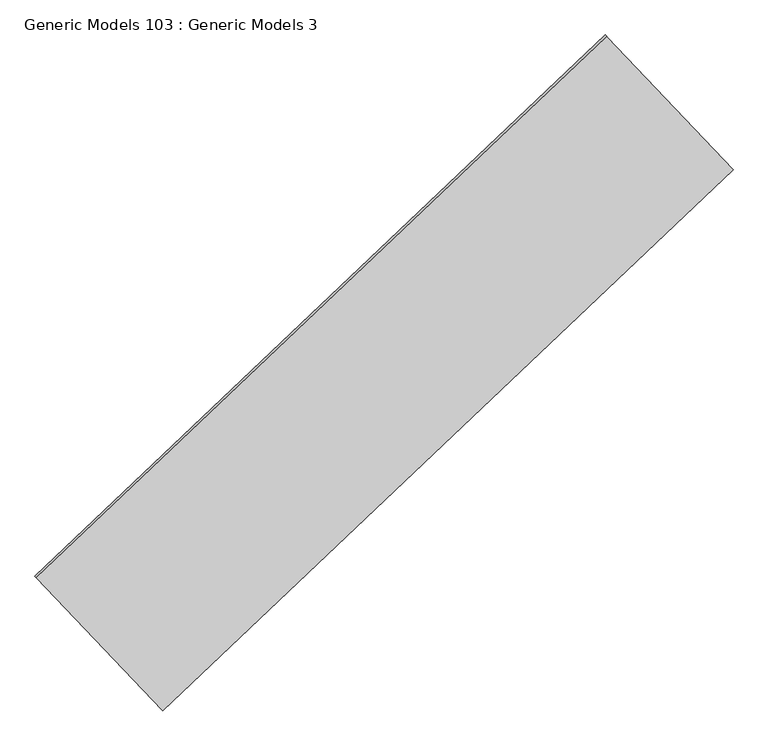
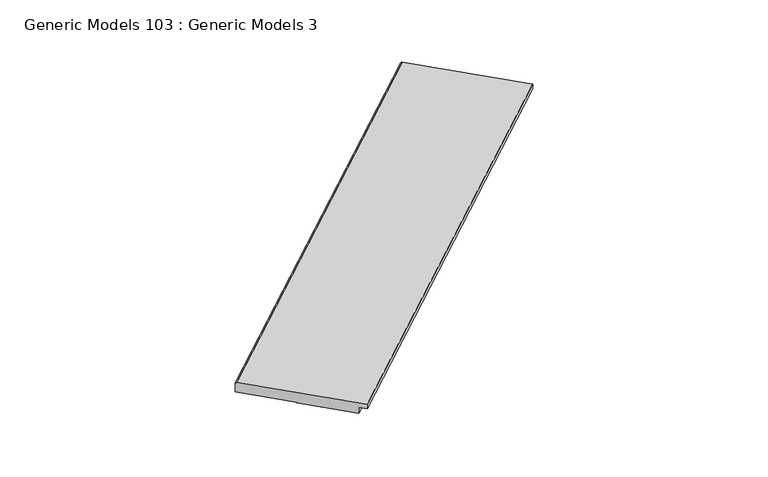
"""IFC4 building model written with IfcOpenShell, lengths in millimetres: proxy geometry, Generic Models 103 : Generic Models 3."""

import ifcopenshell
import ifcopenshell.guid

model = None  # the IFC model being written
_history = None  # IfcOwnerHistory: only IFC2X3 demands one
_inside = {}  # id of a spatial element -> (the spatial element, [elements in it])
_under = {}  # id of a project, library or spatial element -> (it, [spatial elements below it])
_declared = {}  # id of a project -> (the project, [libraries it declares])
_typed = {}  # id of a type object -> (the type object, [elements of that type])
_made_of = {}  # id of a material, layer set ... -> (it, [elements and type objects made of it])


def new_model(schema):
    """Start an empty IFC model of exactly this schema.

    Asked for "IFC4X3", IfcOpenShell would pick the latest addendum, in which some entities
    have other attributes; the version numbers below select the first issue.
    IFC2X3 requires an IfcOwnerHistory on every rooted entity: one is made here for all.
    """
    global model, _history
    if schema == "IFC4X3":
        model = ifcopenshell.file(schema_version=(4, 3, 0, 0))
    else:
        model = ifcopenshell.file(schema=schema)
    _inside.clear()
    _under.clear()
    _declared.clear()
    _typed.clear()
    _made_of.clear()
    _history = None
    if model.schema == "IFC2X3":
        org = make("IfcOrganization", Name="unknown")
        user = make(
            "IfcPersonAndOrganization",
            ThePerson=make("IfcPerson", FamilyName="unknown"),
            TheOrganization=org,
        )
        app = make(
            "IfcApplication",
            ApplicationDeveloper=org,
            Version="unknown",
            ApplicationFullName="unknown",
            ApplicationIdentifier="unknown",
        )
        _history = make(
            "IfcOwnerHistory",
            OwningUser=user,
            OwningApplication=app,
            ChangeAction="ADDED",
            CreationDate=0,
        )
    return model


def make(cls, **values):
    """One entity of the class cls with the attributes given. An attribute that is None is left unset."""
    return model.create_entity(
        cls, **{name: value for name, value in values.items() if value is not None}
    )


def rooted(cls, **values):
    """An entity with a GlobalId (a new one), such as an element, a storey or a relation."""
    return make(cls, GlobalId=ifcopenshell.guid.new(), OwnerHistory=_history, **values)


def si_unit(unit_type, name, prefix=None):
    """IfcSIUnit, for example si_unit("LENGTHUNIT", "METRE", prefix="MILLI")."""
    return make("IfcSIUnit", UnitType=unit_type, Prefix=prefix, Name=name)


def assignment(units):
    """IfcUnitAssignment: the units of a project."""
    return None if units is None else make("IfcUnitAssignment", Units=units)


def point(xyz):
    """IfcCartesianPoint."""
    return None if xyz is None else make("IfcCartesianPoint", Coordinates=xyz)


def direction(xyz):
    """IfcDirection."""
    return None if xyz is None else make("IfcDirection", DirectionRatios=xyz)


def frame(location, z_axis=None, x_axis=None):
    """IfcAxis2Placement3D, a coordinate frame: its origin and axes. An axis left out is left unset."""
    return make(
        "IfcAxis2Placement3D",
        Location=point(location),
        Axis=direction(z_axis),
        RefDirection=direction(x_axis),
    )


def origin():
    """The frame at (0, 0, 0) with its axes left unset."""
    return frame((0.0, 0.0, 0.0))


def place(relative_to, where):
    """IfcLocalPlacement: puts the frame where relative to a parent placement (None: the world)."""
    return make(
        "IfcLocalPlacement", PlacementRelTo=relative_to, RelativePlacement=where
    )


def context(
    kind, dimensions, precision=None, world=None, true_north=None, identifier=None
):
    """IfcGeometricRepresentationContext, for example the 3D "Model" context."""
    return make(
        "IfcGeometricRepresentationContext",
        ContextIdentifier=identifier,
        ContextType=kind,
        CoordinateSpaceDimension=dimensions,
        Precision=precision,
        WorldCoordinateSystem=world,
        TrueNorth=true_north,
    )


def project(units=None, contexts=None):
    """IfcProject with its units and contexts."""
    return rooted(
        "IfcProject",
        Name="project",
        RepresentationContexts=contexts,
        UnitsInContext=assignment(units),
    )


def spatial(cls, under=None, at=None, **own):
    """A site, building, storey or space (cls), placed at a placement, below another one or the project."""
    s = rooted(cls, ObjectPlacement=at, **own)
    if under is not None:
        _under.setdefault(under.id(), (under, []))[1].append(s)
    return s


def circle_curve(where, radius):
    """IfcCircle in the frame where."""
    return make("IfcCircle", Position=where, Radius=radius)


def shape(context_of_items, identifier, shape_type, items):
    """IfcShapeRepresentation: the items that make up one representation, for example the "Body"."""
    return make(
        "IfcShapeRepresentation",
        ContextOfItems=context_of_items,
        RepresentationIdentifier=identifier,
        RepresentationType=shape_type,
        Items=items,
    )


def source(mapping_origin, context_of_items, identifier, shape_type, items):
    """IfcRepresentationMap: a shape defined once, which mapped items show again and again."""
    return make(
        "IfcRepresentationMap",
        MappingOrigin=mapping_origin,
        MappedRepresentation=shape(context_of_items, identifier, shape_type, items),
    )


def transform(
    local_origin,
    x_axis=None,
    y_axis=None,
    z_axis=None,
    scale=None,
    scale2=None,
    scale3=None,
    uniform=True,
):
    """IfcCartesianTransformationOperator3D, or its non-uniform kind. x_axis, y_axis, z_axis: its Axis1, 2, 3."""
    if uniform:
        return make(
            "IfcCartesianTransformationOperator3D",
            Axis1=direction(x_axis),
            Axis2=direction(y_axis),
            LocalOrigin=point(local_origin),
            Scale=scale,
            Axis3=direction(z_axis),
        )
    return make(
        "IfcCartesianTransformationOperator3DnonUniform",
        Axis1=direction(x_axis),
        Axis2=direction(y_axis),
        LocalOrigin=point(local_origin),
        Scale=scale,
        Axis3=direction(z_axis),
        Scale2=scale2,
        Scale3=scale3,
    )


def mapped(mapping_source, mapping_target):
    """IfcMappedItem: shows the shape of a source again, moved by a transform."""
    return make(
        "IfcMappedItem", MappingSource=mapping_source, MappingTarget=mapping_target
    )


def made_of(thing, what):
    """Note that an element or type object is made of a material, layer set ...; save() writes the relation."""
    if what is not None:
        _made_of.setdefault(what.id(), (what, []))[1].append(thing)
    return thing


def element(
    cls,
    number,
    at=None,
    inside=None,
    cuts=None,
    type_object=None,
    material=None,
    context=None,
    identifier="Body",
    shape_type=None,
    held_by="IfcProductDefinitionShape",
    body=None,
    shapes=None,
    **own,
):
    """One element of the class cls, such as IfcWall. Its Tag is "e" and its number.

    at: its placement. inside: the storey or other place that contains it. cuts: it is an
    opening in that element (IfcRelVoidsElement). A single representation is given by context,
    identifier, shape_type and body (its items); several are given by shapes. held_by: the class
    of the entity that holds the representations. save() writes the other relations.
    """
    e = rooted(cls, Tag="e%d" % number, ObjectPlacement=at, **own)
    if body is not None:
        shapes = [shape(context, identifier, shape_type, body)]
    if shapes is not None:
        e.Representation = make(held_by, Representations=shapes)
    if inside is not None:
        _inside.setdefault(inside.id(), (inside, []))[1].append(e)
    if cuts is not None:
        rooted(
            "IfcRelVoidsElement", RelatingBuildingElement=cuts, RelatedOpeningElement=e
        )
    if type_object is not None:
        _typed.setdefault(type_object.id(), (type_object, []))[1].append(e)
    return made_of(e, material)


def aggregate(whole, parts):
    """IfcRelAggregates: a whole, such as a stair, and the parts it consists of."""
    return rooted("IfcRelAggregates", RelatingObject=whole, RelatedObjects=parts)


def save(model, path):
    """Write the relations noted so far, then the file.

    IfcRelAggregates (storeys below a building ...), IfcRelContainedInSpatialStructure (elements
    in a storey), IfcRelDefinesByType, IfcRelAssociatesMaterial and IfcRelDeclares: one each for
    every whole, place, type object, material and project.
    """
    for whole, parts in _under.values():
        aggregate(whole, parts)
    for where, things in _inside.values():
        rooted(
            "IfcRelContainedInSpatialStructure",
            RelatedElements=things,
            RelatingStructure=where,
        )
    for kind, things in _typed.values():
        rooted("IfcRelDefinesByType", RelatedObjects=things, RelatingType=kind)
    for what, things in _made_of.values():
        rooted("IfcRelAssociatesMaterial", RelatedObjects=things, RelatingMaterial=what)
    for by, libraries in _declared.values():
        rooted("IfcRelDeclares", RelatingContext=by, RelatedDefinitions=libraries)
    model.write(path)


def plane_surface(at):
    """IfcPlane: the flat surface through the origin of the frame at, square to its z axis."""
    return make("IfcPlane", Position=at)


def cylinder_surface(at, radius):
    """IfcCylindricalSurface: all points at the distance radius from the z axis of the frame at."""
    return make("IfcCylindricalSurface", Position=at, Radius=radius)


def advanced_brep(points, edges, surfaces, faces):
    """IfcAdvancedBrep: a solid bounded by faces that lie on surfaces and meet in shared edges.

    An edge is (start, end): straight between two places in points (the first is 0);
    or (start, end, curve); or (start, end, curve, False) where it runs against its curve.
    A face is (place in surfaces, loops), or (place, loops, False) where it looks against
    its surface's normal. A loop lists edges by number (the first is 1), with a minus sign
    where the edge is run from its end to its start. The first loop is the outer one.
    """
    corners = [point(p) for p in points]
    vertices = [make("IfcVertexPoint", VertexGeometry=c) for c in corners]
    made = []
    for start, end, *more in edges:
        made.append(
            make(
                "IfcEdgeCurve",
                EdgeStart=vertices[start],
                EdgeEnd=vertices[end],
                EdgeGeometry=more[0] if more else make("IfcPolyline", Points=[corners[start], corners[end]]),
                SameSense=more[1] if len(more) > 1 else True,
            )
        )
    hull = []
    for where, loops, *sense in faces:
        bounds = []
        for j, loop in enumerate(loops):
            ring = [make("IfcOrientedEdge", EdgeElement=made[abs(k) - 1], Orientation=k > 0) for k in loop]
            bounds.append(
                make(
                    "IfcFaceOuterBound" if j == 0 else "IfcFaceBound",
                    Bound=make("IfcEdgeLoop", EdgeList=ring),
                    Orientation=True,
                )
            )
        hull.append(make("IfcAdvancedFace", Bounds=bounds, FaceSurface=surfaces[where], SameSense=sense[0] if sense else True))
    return make("IfcAdvancedBrep", Outer=make("IfcClosedShell", CfsFaces=hull))


def generic_models_103_generic_models_3_8ce2fb79(model_context):
    return source(origin(), model_context, "Body", "AdvancedBrep", [
        advanced_brep(
        [(108443.036769, 48895.004142, 18008.6), (109895.3812404, 47364.5524029, 18008.6), (109895.3812404, 47364.5524029, 17924.1394961), (109799.2181062, 47465.8872026, 17924.1394961), (109799.2181062, 47465.8872026, 17886.0394961), (109799.2181062, 47465.8872026, 17847.9394961), (109799.2181062, 47465.8872026, 17809.8394961), (109110.1685126, 48191.9939696, 17809.8394961), (109110.1685126, 48191.9939696, 17824.4373857), (108425.5525627, 48913.4286511, 17824.4373857), (108425.5525627, 48913.4286511, 17983.2), (101864.1242867, 42686.86571, 17983.2), (101864.1242867, 42686.86571, 17824.4373857), (102548.7402366, 41965.4310286, 17824.4373857), (102548.7402366, 41965.4310286, 17809.8394961), (103237.7898301, 41239.3242615, 17809.8394961), (103237.7898301, 41239.3242615, 17924.1394961), (103333.9529644, 41137.9894619, 17924.1394961), (103333.9529644, 41137.9894619, 18008.6), (101881.6084929, 42668.441201, 18008.6)],
        [
            (0, 1),
            (1, 2),
            (2, 3),
            (3, 4),
            (4, 5),
            (5, 6),
            (6, 7),
            (7, 8),
            (8, 9),
            (9, 10),
            (10, 0, circle_curve(frame((108443.036769, 48895.004142, 17983.2), z_axis=(0.7253743710122987, 0.6883545756937424, 0.0), x_axis=(-0.6883545756937424, 0.7253743710122987, 0.0)), 25.4)),
            (11, 12),
            (12, 13),
            (13, 14),
            (14, 15),
            (15, 16),
            (16, 17),
            (17, 18),
            (18, 19),
            (19, 11, circle_curve(frame((101881.6084929, 42668.441201, 17983.2), z_axis=(-0.7253743710122987, -0.6883545756937424, 0.0), x_axis=(-0.6883545756937424, 0.7253743710122987, 0.0)), 25.4)),
            (0, 19),
            (18, 1),
            (17, 2),
            (14, 7),
            (6, 15),
            (9, 12),
            (11, 10),
            (13, 8),
            (3, 16),
        ],
        [
            plane_surface(frame((108593.6201429, 48736.3223754, 18008.6), z_axis=(0.7253743710122986, 0.6883545756937424, 0.0), x_axis=(0.6883545756937424, -0.7253743710122986, 0.0))),
            plane_surface(frame((102032.1918668, 42509.7594344, 18008.6), z_axis=(-0.7253743710122986, -0.6883545756937424, 0.0), x_axis=(-0.6883545756937424, 0.7253743710122986, 0.0))),
            plane_surface(frame((108443.036769, 48895.004142, 18008.6), z_axis=(0.0, 0.0, 1.0), x_axis=(-0.7253743710122982, -0.6883545756937429, 0.0))),
            plane_surface(frame((109895.3812404, 47364.5524029, 18008.6), z_axis=(0.6883545756937424, -0.7253743710122986, 0.0), x_axis=(-0.7253743710122986, -0.6883545756937424, 0.0))),
            plane_surface(frame((109895.3812404, 47364.5524029, 17809.8394961), z_axis=(0.0, 0.0, -1.0), x_axis=(-0.7253743710122986, -0.6883545756937424, 0.0))),
            plane_surface(frame((108425.5525627, 48913.4286511, 17824.4373857), z_axis=(-0.6883545756937415, 0.7253743710122996, 0.0), x_axis=(-0.7253743710122996, -0.6883545756937415, 0.0))),
            plane_surface(frame((109110.1685126, 48191.9939696, 17809.8394961), z_axis=(-0.6883545756937429, 0.7253743710122982, 0.0), x_axis=(-0.7253743710122982, -0.6883545756937429, 0.0))),
            plane_surface(frame((109110.1685126, 48191.9939696, 17824.4373857), z_axis=(0.0, 0.0, -1.0), x_axis=(-0.7253743710122986, -0.6883545756937424, 0.0))),
            cylinder_surface(frame((101881.6084929, 42668.441201, 17983.2), z_axis=(0.7253743710122987, 0.6883545756937424, 0.0), x_axis=(-0.6883545756937424, 0.7253743710122987, 0.0)), 25.4),
            plane_surface(frame((103097.3029488, 41106.0071891, 17924.1394961), z_axis=(0.6883545756937679, -0.7253743710122744, 0.0), x_axis=(0.7253743710122744, 0.6883545756937679, 0.0))),
            plane_surface(frame((103193.4660831, 41004.6723895, 17924.1394961), z_axis=(0.0, 0.0, -1.0), x_axis=(0.7253743710122744, 0.6883545756937679, 0.0))),
        ],
        [
            (0, [[1, 2, 3, 4, 5, 6, 7, 8, 9, 10, 11]]),
            (1, [[12, 13, 14, 15, 16, 17, 18, 19, 20]]),
            (2, [[-1, 21, -19, 22]]),
            (3, [[-22, -18, 23, -2]]),
            (4, [[24, -7, 25, -15]]),
            (5, [[-10, 26, -12, 27]]),
            (6, [[-8, -24, -14, 28]]),
            (7, [[-9, -28, -13, -26]]),
            (8, [[-11, -27, -20, -21]]),
            (9, [[29, -16, -25, -6, -5, -4]]),
            (10, [[-29, -3, -23, -17]]),
        ],
    ),
    ])


if __name__ == "__main__":
    model = new_model("IFC4")
    model_context = context("Model", 3, world=origin())
    ifc_project = project(units=[si_unit("LENGTHUNIT", "METRE", prefix="MILLI")], contexts=[model_context])
    site = spatial("IfcSite", under=ifc_project)
    building = spatial("IfcBuilding", under=site)
    placement = place(None, origin())
    generic_models_103_generic_models_3_shape = generic_models_103_generic_models_3_8ce2fb79(model_context)
    element("IfcBuildingElementProxy", 1, Name="Generic Models 103 : Generic Models 3", ObjectType="Generic Models 103 : Generic Models 3", at=placement, inside=building, context=model_context, shape_type="MappedRepresentation", body=[
        mapped(generic_models_103_generic_models_3_shape, transform((0.0, 0.0, 0.0), x_axis=(1.0, 0.0, 0.0), y_axis=(0.0, 1.0, 0.0), z_axis=(0.0, 0.0, 1.0))),
    ])
    save(model, "model.ifc")
